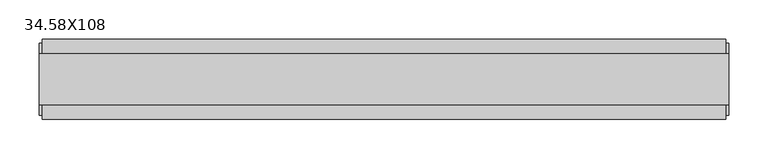
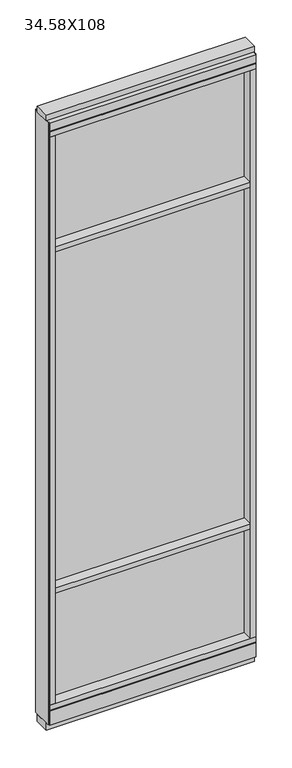
"""IFC4 building model written with IfcOpenShell, lengths in millimetres: furniture geometry, 34.58X108."""

from ifc_helpers import new_model, si_unit, frame, origin, origin_with_axes, place, context, project, spatial, polyline, outline, extrude, source, transform, mapped, element, save


def furniture_34_58x108_30a17103(model_context):
    return source(origin(), model_context, "Body", "SweptSolid", [
        extrude(outline(polyline([(-473.0405229, 0.5622784), (352.9674771, 0.5622784), (352.9674771, -9.5977216), (-473.0405229, -9.5977216), (-473.0405229, 0.5622784)])), frame((0.0, 0.0, 2155.825), z_axis=(0.0, 0.0, 1.0), x_axis=(1.0, 0.0, 0.0)), (0.0, 0.0, 1.0), 498.475),
        extrude(outline(polyline([(-473.0405229, 0.5622784), (352.9674771, 0.5622784), (352.9674771, -9.5977216), (-473.0405229, -9.5977216), (-473.0405229, 0.5622784)])), frame((0.0, 0.0, 631.825), z_axis=(0.0, 0.0, 1.0), x_axis=(1.0, 0.0, 0.0)), (0.0, 0.0, 1.0), 1501.775),
        extrude(outline(polyline([(-473.0405229, -52.3332216), (-473.0405229, 43.2977784), (352.9674771, 43.2977784), (352.9674771, -52.3332216), (-473.0405229, -52.3332216)])), frame((0.0, 0.0, 2133.6), z_axis=(0.0, 0.0, 1.0), x_axis=(1.0, 0.0, 0.0)), (0.0, 0.0, 1.0), 22.225),
        extrude(outline(polyline([(-473.0405229, -52.3332216), (-473.0405229, 43.2977784), (352.9674771, 43.2977784), (352.9674771, -52.3332216), (-473.0405229, -52.3332216)])), frame((0.0, 0.0, 609.6), z_axis=(0.0, 0.0, 1.0), x_axis=(1.0, 0.0, 0.0)), (0.0, 0.0, 1.0), 22.225),
        extrude(outline(polyline([(352.9674771, -9.5977216), (-473.0405229, -9.5977216), (-473.0405229, 0.5622784), (352.9674771, 0.5622784), (352.9674771, -9.5977216)])), frame((0.0, 0.0, 120.523), z_axis=(0.0, 0.0, 1.0), x_axis=(1.0, 0.0, 0.0)), (0.0, 0.0, 1.0), 489.077),
        extrude(outline(polyline([(-55.3177216, 93.345), (-50.3647216, 93.345), (-50.3647216, 98.298), (41.3292784, 98.298), (41.3292784, 93.345), (46.2822784, 93.345), (46.2822784, 31.75), (-55.3177216, 31.75), (-55.3177216, 93.345)])), frame((-495.2655229, 0.0, 0.0), z_axis=(1.0, 0.0, 0.0), x_axis=(0.0, 1.0, 0.0)), (0.0, 0.0, 1.0), 870.458),
        extrude(outline(polyline([(-495.2655229, -55.3177216), (-495.2655229, 46.2822784), (375.1924771, 46.2822784), (375.1924771, -55.3177216), (-495.2655229, -55.3177216)])), frame((0.0, 0.0, 98.298), z_axis=(0.0, 0.0, 1.0), x_axis=(1.0, 0.0, 0.0)), (0.0, 0.0, 1.0), 22.225),
        extrude(outline(polyline([(379.1294771, 27.9942784), (379.1294771, -37.0297216), (-499.2025229, -37.0297216), (-499.2025229, 27.9942784), (379.1294771, 27.9942784)])), origin_with_axes(), (0.0, 0.0, 1.0), 31.75),
        extrude(outline(polyline([(-499.2025229, -37.0297216), (-499.2025229, 27.9942784), (379.1294771, 27.9942784), (379.1294771, -37.0297216), (-499.2025229, -37.0297216)])), frame((0.0, 0.0, 2717.8), z_axis=(0.0, 0.0, 1.0), x_axis=(1.0, 0.0, 0.0)), (0.0, 0.0, 1.0), 25.4),
        extrude(outline(polyline([(-55.3177216, 2681.478), (-55.3177216, 2717.8), (46.2822784, 2717.8), (46.2822784, 2681.478), (41.3292784, 2681.478), (41.3292784, 2676.525), (-50.3647216, 2676.525), (-50.3647216, 2681.478), (-55.3177216, 2681.478)])), frame((-495.2655229, 0.0, 0.0), z_axis=(1.0, 0.0, 0.0), x_axis=(0.0, 1.0, 0.0)), (0.0, 0.0, 1.0), 870.458),
        extrude(outline(polyline([(375.1924771, 46.2822784), (375.1924771, -55.3177216), (-495.2655229, -55.3177216), (-495.2655229, 46.2822784), (375.1924771, 46.2822784)])), frame((0.0, 0.0, 2654.3), z_axis=(0.0, 0.0, 1.0), x_axis=(1.0, 0.0, 0.0)), (0.0, 0.0, 1.0), 22.225),
        extrude(outline(polyline([(352.9674771, -55.3177216), (352.9674771, 46.2822784), (375.1924771, 46.2822784), (375.1924771, -55.3177216), (352.9674771, -55.3177216)])), frame((0.0, 0.0, 120.523), z_axis=(0.0, 0.0, 1.0), x_axis=(1.0, 0.0, 0.0)), (0.0, 0.0, 1.0), 2533.777),
        extrude(outline(polyline([(-473.0405229, -55.3177216), (-495.2655229, -55.3177216), (-495.2655229, 46.2822784), (-473.0405229, 46.2822784), (-473.0405229, -55.3177216)])), frame((0.0, 0.0, 120.523), z_axis=(0.0, 0.0, 1.0), x_axis=(1.0, 0.0, 0.0)), (0.0, 0.0, 1.0), 2533.777),
        extrude(outline(polyline([(379.1294771, -50.3647216), (375.1924771, -50.3647216), (375.1924771, 41.3292784), (379.1294771, 41.3292784), (379.1294771, -50.3647216)])), frame((0.0, 0.0, 31.75), z_axis=(0.0, 0.0, 1.0), x_axis=(1.0, 0.0, 0.0)), (0.0, 0.0, 1.0), 2686.05),
        extrude(outline(polyline([(-499.2025229, -50.3647216), (-499.2025229, 41.3292784), (-495.2655229, 41.3292784), (-495.2655229, -50.3647216), (-499.2025229, -50.3647216)])), frame((0.0, 0.0, 31.75), z_axis=(0.0, 0.0, 1.0), x_axis=(1.0, 0.0, 0.0)), (0.0, 0.0, 1.0), 2686.05),
    ])


if __name__ == "__main__":
    model = new_model("IFC4")
    model_context = context("Model", 3, world=origin())
    ifc_project = project(units=[si_unit("LENGTHUNIT", "METRE", prefix="MILLI")], contexts=[model_context])
    site = spatial("IfcSite", under=ifc_project)
    building = spatial("IfcBuilding", under=site)
    placement = place(None, origin())
    furniture_34_58x108_shape = furniture_34_58x108_30a17103(model_context)
    element("IfcFurniture", 1, ObjectType="34.58X108", at=placement, inside=building, context=model_context, shape_type="MappedRepresentation", body=[
        mapped(furniture_34_58x108_shape, transform((0.0, 0.0, 0.0), x_axis=(1.0, 0.0, 0.0), y_axis=(0.0, 1.0, 0.0), z_axis=(0.0, 0.0, 1.0))),
    ])
    save(model, "model.ifc")
